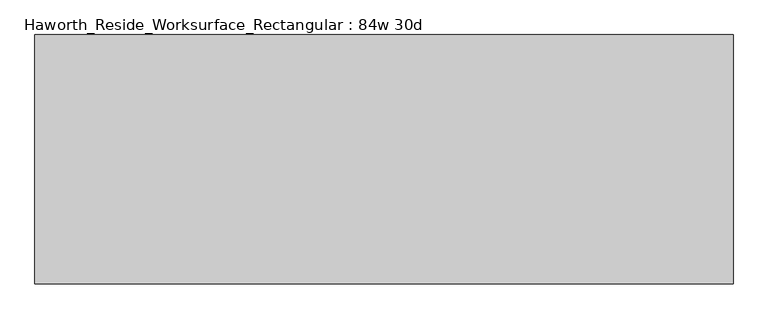
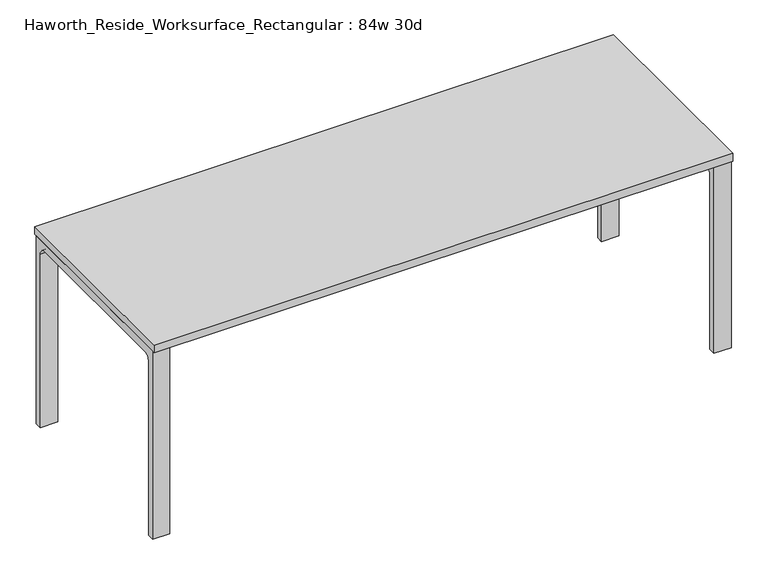
"""IFC4 building model written with IfcOpenShell, lengths in millimetres: furniture geometry, Haworth_Reside_Worksurface_Rectangular : 84w 30d."""

from ifc_helpers import new_model, si_unit, point, frame, frame_2d, origin, place, context, project, spatial, polyline, circle_curve, trimmed, segment, composite_curve, outline, extrude, source, transform, mapped, element, save


def haworth_reside_worksurface_rectangular_84w_30d_599a344b(model_context):
    return source(origin(), model_context, "Body", "SweptSolid", [
        extrude(outline(composite_curve([segment(trimmed(circle_curve(frame_2d((320.675, 676.275)), 25.4), [point((346.075, 676.275))], [point((320.675, 701.675))], True, "CARTESIAN"), True, "CONTINUOUS"), segment(polyline([(320.675, 701.675), (-320.675, 701.675)]), True, "CONTINUOUS"), segment(trimmed(circle_curve(frame_2d((-320.675, 676.275)), 25.4), [point((-320.675, 701.675))], [point((-346.075, 676.275))], True, "CARTESIAN"), True, "CONTINUOUS"), segment(polyline([(-346.075, 676.275), (-346.075, 0.0), (-371.475, 0.0), (-371.475, 731.8375), (371.475, 731.8375), (371.475, 0.0), (346.075, 0.0), (346.075, 676.275)]), True, "CONTINUOUS")], self_intersect=False)), frame((1003.3, 0.0, 0.0), z_axis=(1.0, 0.0, 0.0), x_axis=(0.0, 1.0, 0.0)), (0.0, 0.0, 1.0), 63.5),
        extrude(outline(composite_curve([segment(trimmed(circle_curve(frame_2d((320.675, 676.275)), 25.4), [point((346.075, 676.275))], [point((320.675, 701.675))], True, "CARTESIAN"), True, "CONTINUOUS"), segment(polyline([(320.675, 701.675), (-320.675, 701.675)]), True, "CONTINUOUS"), segment(trimmed(circle_curve(frame_2d((-320.675, 676.275)), 25.4), [point((-320.675, 701.675))], [point((-346.075, 676.275))], True, "CARTESIAN"), True, "CONTINUOUS"), segment(polyline([(-346.075, 676.275), (-346.075, 0.0), (-371.475, 0.0), (-371.475, 731.8375), (371.475, 731.8375), (371.475, 0.0), (346.075, 0.0), (346.075, 676.275)]), True, "CONTINUOUS")], self_intersect=False)), frame((-1066.8, 0.0, 0.0), z_axis=(1.0, 0.0, 0.0), x_axis=(0.0, 1.0, 0.0)), (0.0, 0.0, 1.0), 63.5),
        extrude(outline(polyline([(1066.8, 381.0), (1066.8, -381.0), (-1066.8, -381.0), (-1066.8, 381.0), (1066.8, 381.0)])), frame((0.0, 0.0, 731.8375), z_axis=(0.0, 0.0, 1.0), x_axis=(1.0, 0.0, 0.0)), (0.0, 0.0, 1.0), 30.1625),
    ])


if __name__ == "__main__":
    model = new_model("IFC4")
    model_context = context("Model", 3, world=origin())
    ifc_project = project(units=[si_unit("LENGTHUNIT", "METRE", prefix="MILLI")], contexts=[model_context])
    site = spatial("IfcSite", under=ifc_project)
    building = spatial("IfcBuilding", under=site)
    placement = place(None, origin())
    haworth_reside_worksurface_rectangular_84w_30d_shape = haworth_reside_worksurface_rectangular_84w_30d_599a344b(model_context)
    element("IfcFurniture", 1, ObjectType="Haworth_Reside_Worksurface_Rectangular : 84w 30d", at=placement, inside=building, context=model_context, shape_type="MappedRepresentation", body=[
        mapped(haworth_reside_worksurface_rectangular_84w_30d_shape, transform((0.0, 0.0, 0.0), x_axis=(1.0, 0.0, 0.0), y_axis=(0.0, 1.0, 0.0), z_axis=(0.0, 0.0, 1.0))),
    ])
    save(model, "model.ifc")
